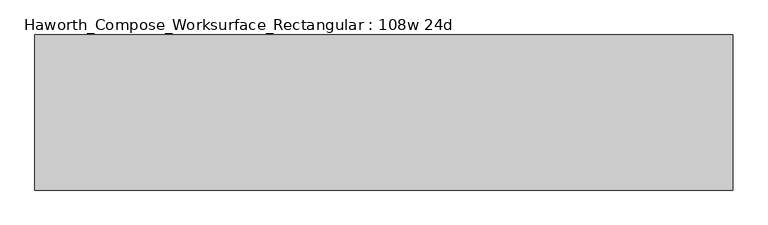
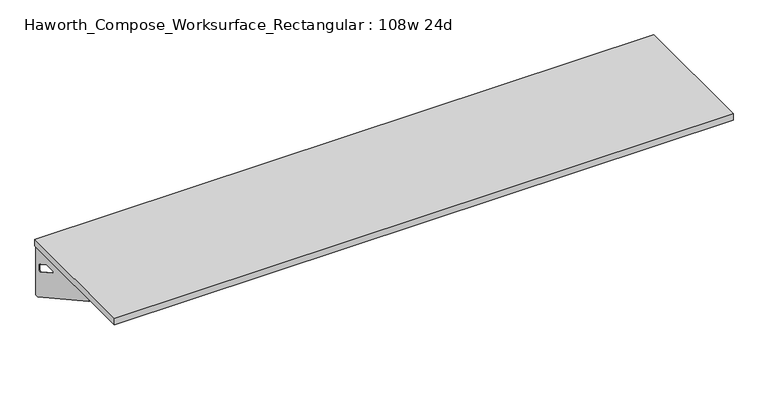
"""IFC4 building model written with IfcOpenShell, lengths in millimetres: furniture geometry, Haworth_Compose_Worksurface_Rectangular : 108w 24d."""

from ifc_helpers import new_model, si_unit, frame, origin, place, context, project, spatial, polyline, circle_curve, outline, extrude, source, transform, mapped, element, save
from ifc_brep_helpers import plane_surface, revolved_surface, advanced_brep


def haworth_compose_worksurface_rectangular_108w_24d_b74809f0(model_context):
    return source(origin(), model_context, "Body", "SolidModel", [
        advanced_brep(
        [(1366.04375, 304.8, 475.45625), (1366.04375, 288.925, 475.45625), (1366.04375, -101.6, 691.7192568), (1366.04375, -101.6, 704.05625), (1366.04375, 288.925, 704.05625), (1366.04375, 304.8, 704.05625), (1366.04375, 221.490072, 665.95625), (1366.04375, 177.8355284, 665.95625), (1366.04375, 175.1564235, 656.3705539), (1366.04375, 266.8776173, 605.5776439), (1366.04375, 276.225, 611.1756969), (1366.04375, 276.225, 634.6860246), (1366.04375, 274.4730055, 637.5242776), (1366.04375, 224.5663437, 665.1613425), (1368.425, 304.8, 475.45625), (1368.425, 304.8, 704.05625), (1368.425, 288.925, 704.05625), (1368.425, 288.925, 706.4375), (1368.425, -101.6, 706.4375), (1368.425, -101.6, 691.7192568), (1368.425, 288.925, 475.45625), (1368.425, 221.490072, 665.95625), (1368.425, 224.5663437, 665.1613425), (1368.425, 274.4730055, 637.5242776), (1368.425, 276.225, 634.6860246), (1368.425, 276.225, 611.1756969), (1368.425, 266.8776173, 605.5776439), (1368.425, 175.1564235, 656.3705539), (1368.425, 177.8355284, 665.95625), (1327.15, -101.6, 706.4375), (1327.15, -101.6, 704.05625), (1327.15, 288.925, 704.05625), (1327.15, 288.925, 706.4375)],
        [
            (0, 1),
            (1, 2),
            (2, 3),
            (3, 4),
            (4, 5),
            (5, 0),
            (6, 7),
            (7, 8, circle_curve(frame((1366.04375, 177.8355284, 660.7890106), z_axis=(1.0, 0.0, 0.0), x_axis=(0.0, -1.0, 0.0)), 5.1672394)),
            (8, 9),
            (9, 10, circle_curve(frame((1366.04375, 269.875, 611.1756969), z_axis=(1.0, 0.0, 0.0), x_axis=(0.0, -1.0, 0.0)), 6.35)),
            (10, 11),
            (11, 12, circle_curve(frame((1366.04375, 273.05, 634.6860246), z_axis=(1.0, 0.0, 0.0), x_axis=(0.0, -1.0, 0.0)), 3.175)),
            (12, 13),
            (13, 6, circle_curve(frame((1366.04375, 221.490072, 659.60625), z_axis=(1.0, 0.0, 0.0), x_axis=(0.0, -1.0, 0.0)), 6.35)),
            (14, 15),
            (15, 16),
            (16, 17),
            (17, 18),
            (18, 19),
            (19, 20),
            (20, 14),
            (21, 22, circle_curve(frame((1368.425, 221.490072, 659.60625), z_axis=(-1.0, 0.0, 0.0), x_axis=(0.0, -1.0, 0.0)), 6.35)),
            (22, 23),
            (23, 24, circle_curve(frame((1368.425, 273.05, 634.6860246), z_axis=(-1.0, 0.0, 0.0), x_axis=(0.0, -1.0, 0.0)), 3.175)),
            (24, 25),
            (25, 26, circle_curve(frame((1368.425, 269.875, 611.1756969), z_axis=(-1.0, 0.0, 0.0), x_axis=(0.0, -1.0, 0.0)), 6.35)),
            (26, 27),
            (27, 28, circle_curve(frame((1368.425, 177.8355284, 660.7890106), z_axis=(-1.0, 0.0, 0.0), x_axis=(0.0, -1.0, 0.0)), 5.1672394)),
            (28, 21),
            (4, 16),
            (15, 5),
            (14, 0),
            (20, 1),
            (19, 2),
            (18, 29),
            (29, 30),
            (30, 3),
            (6, 21),
            (28, 7),
            (9, 26),
            (25, 10),
            (24, 11),
            (23, 12),
            (27, 8),
            (31, 4),
            (30, 31),
            (32, 29),
            (17, 32),
            (31, 32),
            (22, 13),
        ],
        [
            plane_surface(frame((1366.04375, 304.8, 475.45625), z_axis=(-1.0, 0.0, 0.0), x_axis=(0.0, 1.0, 0.0))),
            plane_surface(frame((1368.425, 304.8, 475.45625), z_axis=(1.0, 0.0, 0.0), x_axis=(0.0, -1.0, 0.0))),
            plane_surface(frame((1368.425, -101.6, 704.05625), z_axis=(0.0, 0.0, 1.0), x_axis=(-1.0, 0.0, 0.0))),
            plane_surface(frame((1368.425, 304.8, 704.05625), z_axis=(0.0, 1.0, 0.0), x_axis=(-1.0, 0.0, 0.0))),
            plane_surface(frame((1368.425, 304.8, 475.45625), z_axis=(0.0, 0.0, -1.0), x_axis=(-1.0, 0.0, 0.0))),
            plane_surface(frame((1368.425, 288.925, 475.45625), z_axis=(0.0, -0.48445223513455843, -0.8748177135112952), x_axis=(-1.0, 0.0, 0.0))),
            plane_surface(frame((1368.425, -101.6, 691.7192568), z_axis=(0.0, -1.0, 0.0), x_axis=(-1.0, 0.0, 0.0))),
            plane_surface(frame((1368.425, 221.490072, 665.95625), z_axis=(0.0, 0.0, -1.0), x_axis=(-1.0, 0.0, 0.0))),
            revolved_surface(polyline([(1366.04375, 263.525, 611.1756969), (1368.425, 263.525, 611.1756969)]), (1368.425, 269.875, 611.1756969), (-1.0, 0.0, 0.0)),
            plane_surface(frame((1368.425, 276.225, 611.1756969), z_axis=(0.0, -1.0, 0.0), x_axis=(-1.0, 0.0, 0.0))),
            revolved_surface(polyline([(1366.04375, 269.875, 634.6860246), (1368.425, 269.875, 634.6860246)]), (1368.425, 273.05, 634.6860246), (-1.0, 0.0, 0.0)),
            revolved_surface(polyline([(1366.04375, 172.668289, 660.7890106), (1368.425, 172.668289, 660.7890106)]), (1368.425, 177.8355284, 660.7890106), (-1.0, 0.0, 0.0)),
            plane_surface(frame((1368.425, 288.925, 704.05625), z_axis=(0.0, 0.0, -1.0), x_axis=(-1.0, 0.0, 0.0))),
            plane_surface(frame((1368.425, 288.925, 706.4375), z_axis=(0.0, 0.0, 1.0), x_axis=(1.0, 0.0, 0.0))),
            plane_surface(frame((1327.15, 288.925, 706.4375), z_axis=(0.0, 1.0, 0.0), x_axis=(0.0, 0.0, -1.0))),
            plane_surface(frame((1327.15, -101.6, 706.4375), z_axis=(-1.0, 0.0, 0.0), x_axis=(0.0, 0.0, -1.0))),
            plane_surface(frame((1368.425, 175.1564235, 656.3705539), z_axis=(0.0, 0.4844522351345583, 0.8748177135112953), x_axis=(-1.0, 0.0, 0.0))),
            plane_surface(frame((1368.425, 274.4730055, 637.5242776), z_axis=(0.0, -0.4844522351345582, -0.8748177135112953), x_axis=(-1.0, 0.0, 0.0))),
            revolved_surface(polyline([(1366.04375, 215.140072, 659.60625), (1368.425, 215.140072, 659.60625)]), (1368.425, 221.490072, 659.60625), (-1.0, 0.0, 0.0)),
        ],
        [
            (0, [[1, 2, 3, 4, 5, 6], [7, 8, 9, 10, 11, 12, 13, 14]]),
            (1, [[15, 16, 17, 18, 19, 20, 21], [22, 23, 24, 25, 26, 27, 28, 29]]),
            (2, [[-5, 30, -16, 31]]),
            (3, [[-31, -15, 32, -6]]),
            (4, [[-32, -21, 33, -1]]),
            (5, [[-33, -20, 34, -2]]),
            (6, [[-34, -19, 35, 36, 37, -3]]),
            (7, [[38, -29, 39, -7]]),
            (8, [[40, -26, 41, -10]]),
            (9, [[-41, -25, 42, -11]]),
            (10, [[-42, -24, 43, -12]]),
            (11, [[-39, -28, 44, -8]]),
            (12, [[45, -4, -37, 46]]),
            (13, [[47, -35, -18, 48]]),
            (14, [[-17, -30, -45, 49, -48]]),
            (15, [[-36, -47, -49, -46]]),
            (16, [[-44, -27, -40, -9]]),
            (17, [[-43, -23, 50, -13]]),
            (18, [[-50, -22, -38, -14]]),
        ],
    ),
        advanced_brep(
        [(-1366.04375, 304.8, 475.45625), (-1366.04375, 304.8, 704.05625), (-1366.04375, 288.925, 704.05625), (-1366.04375, -101.6, 704.05625), (-1366.04375, -101.6, 691.7192568), (-1366.04375, 288.925, 475.45625), (-1366.04375, 221.490072, 665.95625), (-1366.04375, 224.5663437, 665.1613425), (-1366.04375, 274.4730055, 637.5242776), (-1366.04375, 276.225, 634.6860246), (-1366.04375, 276.225, 611.1756969), (-1366.04375, 266.8776173, 605.5776439), (-1366.04375, 175.1564235, 656.3705539), (-1366.04375, 177.8355284, 665.95625), (-1368.425, 304.8, 475.45625), (-1368.425, 288.925, 475.45625), (-1368.425, -101.6, 691.7192568), (-1368.425, -101.6, 706.4375), (-1368.425, 288.925, 706.4375), (-1368.425, 288.925, 704.05625), (-1368.425, 304.8, 704.05625), (-1368.425, 221.490072, 665.95625), (-1368.425, 177.8355284, 665.95625), (-1368.425, 175.1564235, 656.3705539), (-1368.425, 266.8776173, 605.5776439), (-1368.425, 276.225, 611.1756969), (-1368.425, 276.225, 634.6860246), (-1368.425, 274.4730055, 637.5242776), (-1368.425, 224.5663437, 665.1613425), (-1327.15, -101.6, 704.05625), (-1327.15, -101.6, 706.4375), (-1327.15, 288.925, 704.05625), (-1327.15, 288.925, 706.4375)],
        [
            (0, 1),
            (1, 2),
            (2, 3),
            (3, 4),
            (4, 5),
            (5, 0),
            (6, 7, circle_curve(frame((-1366.04375, 221.490072, 659.60625), z_axis=(-1.0, 0.0, 0.0), x_axis=(0.0, -1.0, 0.0)), 6.35)),
            (7, 8),
            (8, 9, circle_curve(frame((-1366.04375, 273.05, 634.6860246), z_axis=(-1.0, 0.0, 0.0), x_axis=(0.0, -1.0, 0.0)), 3.175)),
            (9, 10),
            (10, 11, circle_curve(frame((-1366.04375, 269.875, 611.1756969), z_axis=(-1.0, 0.0, 0.0), x_axis=(0.0, -1.0, 0.0)), 6.35)),
            (11, 12),
            (12, 13, circle_curve(frame((-1366.04375, 177.8355284, 660.7890106), z_axis=(-1.0, 0.0, 0.0), x_axis=(0.0, -1.0, 0.0)), 5.1672394)),
            (13, 6),
            (14, 15),
            (15, 16),
            (16, 17),
            (17, 18),
            (18, 19),
            (19, 20),
            (20, 14),
            (21, 22),
            (22, 23, circle_curve(frame((-1368.425, 177.8355284, 660.7890106), z_axis=(1.0, 0.0, 0.0), x_axis=(0.0, -1.0, 0.0)), 5.1672394)),
            (23, 24),
            (24, 25, circle_curve(frame((-1368.425, 269.875, 611.1756969), z_axis=(1.0, 0.0, 0.0), x_axis=(0.0, -1.0, 0.0)), 6.35)),
            (25, 26),
            (26, 27, circle_curve(frame((-1368.425, 273.05, 634.6860246), z_axis=(1.0, 0.0, 0.0), x_axis=(0.0, -1.0, 0.0)), 3.175)),
            (27, 28),
            (28, 21, circle_curve(frame((-1368.425, 221.490072, 659.60625), z_axis=(1.0, 0.0, 0.0), x_axis=(0.0, -1.0, 0.0)), 6.35)),
            (1, 20),
            (19, 2),
            (0, 14),
            (5, 15),
            (4, 16),
            (3, 29),
            (29, 30),
            (30, 17),
            (13, 22),
            (21, 6),
            (10, 25),
            (24, 11),
            (9, 26),
            (8, 27),
            (12, 23),
            (31, 29),
            (2, 31),
            (32, 18),
            (30, 32),
            (32, 31),
            (7, 28),
        ],
        [
            plane_surface(frame((-1366.04375, 304.8, 475.45625), z_axis=(1.0, 0.0, 0.0), x_axis=(0.0, 1.0, 0.0))),
            plane_surface(frame((-1368.425, 304.8, 475.45625), z_axis=(-1.0, 0.0, 0.0), x_axis=(0.0, -1.0, 0.0))),
            plane_surface(frame((-1368.425, -101.6, 704.05625), z_axis=(0.0, 0.0, 1.0), x_axis=(1.0, 0.0, 0.0))),
            plane_surface(frame((-1368.425, 304.8, 704.05625), z_axis=(0.0, 1.0, 0.0), x_axis=(1.0, 0.0, 0.0))),
            plane_surface(frame((-1368.425, 304.8, 475.45625), z_axis=(0.0, 0.0, -1.0), x_axis=(1.0, 0.0, 0.0))),
            plane_surface(frame((-1368.425, 288.925, 475.45625), z_axis=(0.0, -0.48445223513455843, -0.8748177135112952), x_axis=(1.0, 0.0, 0.0))),
            plane_surface(frame((-1368.425, -101.6, 691.7192568), z_axis=(0.0, -1.0, 0.0), x_axis=(1.0, 0.0, 0.0))),
            plane_surface(frame((-1368.425, 221.490072, 665.95625), z_axis=(0.0, 0.0, -1.0), x_axis=(1.0, 0.0, 0.0))),
            revolved_surface(polyline([(-1366.04375, 263.525, 611.1756969), (-1368.425, 263.525, 611.1756969)]), (-1368.425, 269.875, 611.1756969), (1.0, 0.0, 0.0)),
            plane_surface(frame((-1368.425, 276.225, 611.1756969), z_axis=(0.0, -1.0, 0.0), x_axis=(1.0, 0.0, 0.0))),
            revolved_surface(polyline([(-1366.04375, 269.875, 634.6860246), (-1368.425, 269.875, 634.6860246)]), (-1368.425, 273.05, 634.6860246), (1.0, 0.0, 0.0)),
            revolved_surface(polyline([(-1366.04375, 172.668289, 660.7890106), (-1368.425, 172.668289, 660.7890106)]), (-1368.425, 177.8355284, 660.7890106), (1.0, 0.0, 0.0)),
            plane_surface(frame((-1368.425, 288.925, 704.05625), z_axis=(0.0, 0.0, -1.0), x_axis=(1.0, 0.0, 0.0))),
            plane_surface(frame((-1368.425, 288.925, 706.4375), z_axis=(0.0, 0.0, 1.0), x_axis=(-1.0, 0.0, 0.0))),
            plane_surface(frame((-1327.15, 288.925, 706.4375), z_axis=(0.0, 1.0, 0.0), x_axis=(0.0, 0.0, -1.0))),
            plane_surface(frame((-1327.15, -101.6, 706.4375), z_axis=(1.0, 0.0, 0.0), x_axis=(0.0, 0.0, -1.0))),
            plane_surface(frame((-1368.425, 175.1564235, 656.3705539), z_axis=(0.0, 0.4844522351345583, 0.8748177135112953), x_axis=(1.0, 0.0, 0.0))),
            plane_surface(frame((-1368.425, 274.4730055, 637.5242776), z_axis=(0.0, -0.4844522351345582, -0.8748177135112953), x_axis=(1.0, 0.0, 0.0))),
            revolved_surface(polyline([(-1366.04375, 215.140072, 659.60625), (-1368.425, 215.140072, 659.60625)]), (-1368.425, 221.490072, 659.60625), (1.0, 0.0, 0.0)),
        ],
        [
            (0, [[1, 2, 3, 4, 5, 6], [7, 8, 9, 10, 11, 12, 13, 14]]),
            (1, [[15, 16, 17, 18, 19, 20, 21], [22, 23, 24, 25, 26, 27, 28, 29]]),
            (2, [[30, -20, 31, -2]]),
            (3, [[-1, 32, -21, -30]]),
            (4, [[-6, 33, -15, -32]]),
            (5, [[-5, 34, -16, -33]]),
            (6, [[-4, 35, 36, 37, -17, -34]]),
            (7, [[-14, 38, -22, 39]]),
            (8, [[-11, 40, -25, 41]]),
            (9, [[-10, 42, -26, -40]]),
            (10, [[-9, 43, -27, -42]]),
            (11, [[-13, 44, -23, -38]]),
            (12, [[45, -35, -3, 46]]),
            (13, [[47, -18, -37, 48]]),
            (14, [[-47, 49, -46, -31, -19]]),
            (15, [[-45, -49, -48, -36]]),
            (16, [[-12, -41, -24, -44]]),
            (17, [[-8, 50, -28, -43]]),
            (18, [[-7, -39, -29, -50]]),
        ],
    ),
        extrude(outline(polyline([(1371.6, 304.8), (1371.6, -304.8), (-1371.6, -304.8), (-1371.6, 304.8), (1371.6, 304.8)])), frame((0.0, 0.0, 706.4375), z_axis=(0.0, 0.0, 1.0), x_axis=(1.0, 0.0, 0.0)), (0.0, 0.0, 1.0), 30.1625),
    ])


if __name__ == "__main__":
    model = new_model("IFC4")
    model_context = context("Model", 3, world=origin())
    ifc_project = project(units=[si_unit("LENGTHUNIT", "METRE", prefix="MILLI")], contexts=[model_context])
    site = spatial("IfcSite", under=ifc_project)
    building = spatial("IfcBuilding", under=site)
    placement = place(None, origin())
    haworth_compose_worksurface_rectangular_108w_24d_shape = haworth_compose_worksurface_rectangular_108w_24d_b74809f0(model_context)
    element("IfcFurniture", 1, ObjectType="Haworth_Compose_Worksurface_Rectangular : 108w 24d", at=placement, inside=building, context=model_context, shape_type="MappedRepresentation", body=[
        mapped(haworth_compose_worksurface_rectangular_108w_24d_shape, transform((0.0, 0.0, 0.0), x_axis=(1.0, 0.0, 0.0), y_axis=(0.0, 1.0, 0.0), z_axis=(0.0, 0.0, 1.0))),
    ])
    save(model, "model.ifc")
